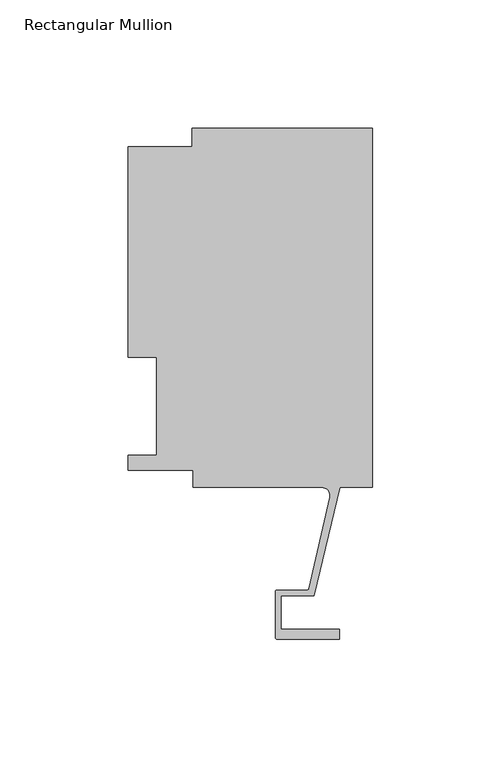
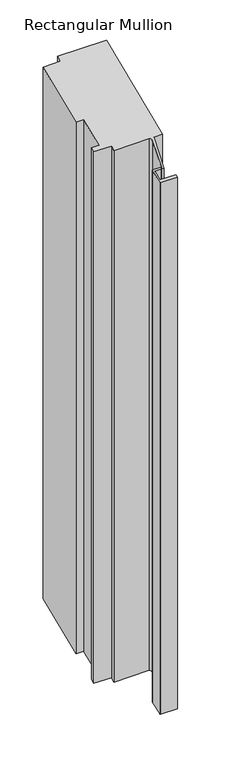
"""IFC4 building model written with IfcOpenShell, lengths in millimetres: member geometry, Rectangular Mullion."""

from ifc_helpers import new_model, si_unit, frame, origin, place, context, project, spatial, polyline, ellipse_curve, source, transform, mapped, element, save
from ifc_brep_helpers import plane_surface, cylinder_surface, revolved_surface, advanced_brep


def rectangular_mullion_dd8fc5aa(model_context):
    return source(origin(), model_context, "Body", "AdvancedBrep", [
        advanced_brep(
        [(-70.3072, 126.619, 52.4473071), (-70.3072, 133.731, 55.3931939), (-70.3072, 133.731, -750.6716666), (-70.3072, 126.619, -753.6175535), (-95.25, 126.619, 52.4473071), (-95.25, 126.619, -753.6175535), (-95.25, 44.45, 18.4117928), (-95.25, 44.45, -787.6530677), (-84.1375, 44.45, 18.4117928), (-84.1375, 44.45, -787.6530677), (-84.1375, 6.35, 2.6302561), (-84.1375, 6.35, -803.4346044), (-95.25, 6.35, 2.6302561), (-95.25, 6.35, -803.4346044), (-95.25, 0.4064, 0.1683364), (-95.25, 0.4064, -805.8965241), (-69.85, 0.4064, 0.1683364), (-69.85, 0.4064, -805.8965241), (-69.85, -6.2260979, -2.5789342), (-69.85, -6.2260979, -808.6437947), (-19.681515, -6.2260979, -2.5789342), (-19.681515, -6.2260979, -808.6437947), (-16.585275, -10.1038947, -4.1851702), (-16.585275, -10.1038947, -810.2500307), (-24.6514289, -45.6401264, -18.9047593), (-24.6514289, -45.6401264, -824.9696199), (-25.3893173, -46.2119562, -19.141619), (-25.3893173, -46.2119562, -825.2064795), (-37.0958677, -46.2119562, -19.141619), (-37.0958677, -46.2119562, -825.2064795), (-37.8578677, -46.9739562, -19.4572497), (-37.8578677, -46.9739562, -825.5221102), (-37.8578677, -64.6065977, -26.760929), (-37.8578677, -64.6065977, -832.8257895), (-37.0704677, -65.3939977, -27.0870807), (-37.0704677, -65.3939977, -833.1519413), (-12.7611926, -65.3939977, -27.0870807), (-12.7611926, -65.3939977, -833.1519413), (-12.7611926, -61.4061977, -25.4352799), (-12.7611926, -61.4061977, -831.5001404), (-35.5718677, -61.4061977, -25.4352799), (-35.5718677, -61.4061977, -831.5001404), (-35.5718677, -48.4979562, -20.0885112), (-35.5718677, -48.4979562, -826.1533717), (-22.7594087, -48.4979562, -20.0885112), (-22.7594087, -48.4979562, -826.1533717), (-12.7, -6.2260967, -2.5789337), (-12.7, -6.2260967, -808.6437942), (0.0, -6.2260967, -2.5789337), (0.0, -6.2260967, -808.6437942), (0.0, 133.731, 55.3931939), (0.0, 133.731, -750.6716666)],
        [
            (0, 1),
            (1, 2),
            (2, 3),
            (3, 0),
            (4, 0),
            (3, 5),
            (5, 4),
            (6, 4),
            (5, 7),
            (7, 6),
            (8, 6),
            (7, 9),
            (9, 8),
            (10, 8),
            (9, 11),
            (11, 10),
            (12, 10),
            (11, 13),
            (13, 12),
            (14, 12),
            (13, 15),
            (15, 14),
            (16, 14),
            (15, 17),
            (17, 16),
            (18, 16),
            (17, 19),
            (19, 18),
            (20, 18),
            (19, 21),
            (21, 20),
            (22, 20, ellipse_curve(frame((-19.681515, -9.4010979, -3.8940623), z_axis=(0.0, -0.38268343236508917, 0.923879532511287), x_axis=(0.0, -0.923879532511287, -0.3826834323650893)), 3.4365952, 3.175)),
            (21, 23, ellipse_curve(frame((-19.681515, -9.4010979, -809.9589228), z_axis=(0.0, 0.38268343236508917, -0.923879532511287), x_axis=(0.0, -0.923879532511287, -0.3826834323650893)), 3.4365952, 3.175)),
            (23, 22),
            (24, 22),
            (23, 25),
            (25, 24),
            (26, 24, ellipse_curve(frame((-25.3679884, -45.4774789, -18.8373885), z_axis=(0.0, -0.38268343236508917, 0.923879532511287), x_axis=(0.0, -0.923879532511287, -0.3826834323650893)), 0.7953276, 0.7347869)),
            (25, 27, ellipse_curve(frame((-25.3679884, -45.4774789, -824.9022491), z_axis=(0.0, 0.38268343236508917, -0.923879532511287), x_axis=(0.0, -0.923879532511287, -0.3826834323650893)), 0.7953276, 0.7347869)),
            (27, 26),
            (28, 26),
            (27, 29),
            (29, 28),
            (30, 28, ellipse_curve(frame((-37.0958677, -46.9739562, -19.4572497), z_axis=(0.0, 0.38268343236508917, -0.923879532511287), x_axis=(0.0, 0.923879532511287, 0.3826834323650893)), 0.8247829, 0.762)),
            (29, 31, ellipse_curve(frame((-37.0958677, -46.9739562, -825.5221102), z_axis=(0.0, -0.38268343236508917, 0.923879532511287), x_axis=(0.0, 0.923879532511287, 0.3826834323650893)), 0.8247829, 0.762)),
            (31, 30),
            (32, 30),
            (31, 33),
            (33, 32),
            (34, 32, ellipse_curve(frame((-37.0704677, -64.6065977, -26.760929), z_axis=(0.0, 0.38268343236508917, -0.923879532511287), x_axis=(0.0, 0.923879532511287, 0.3826834323650893)), 0.8522756, 0.7874)),
            (33, 35, ellipse_curve(frame((-37.0704677, -64.6065977, -832.8257895), z_axis=(0.0, -0.38268343236508917, 0.923879532511287), x_axis=(0.0, 0.923879532511287, 0.3826834323650893)), 0.8522756, 0.7874)),
            (35, 34),
            (36, 34),
            (35, 37),
            (37, 36),
            (38, 36),
            (37, 39),
            (39, 38),
            (40, 38),
            (39, 41),
            (41, 40),
            (42, 40),
            (41, 43),
            (43, 42),
            (44, 42),
            (43, 45),
            (45, 44),
            (46, 44),
            (45, 47),
            (47, 46),
            (48, 46),
            (47, 49),
            (49, 48),
            (50, 48),
            (49, 51),
            (51, 50),
            (1, 50),
            (51, 2),
        ],
        [
            plane_surface(frame((-70.3072, 133.731, 0.0), z_axis=(-1.0, 0.0, 0.0), x_axis=(0.0, 0.0, -1.0))),
            plane_surface(frame((-70.3072, 126.619, 0.0), z_axis=(0.0, 1.0, 0.0), x_axis=(0.0, 0.0, -1.0))),
            plane_surface(frame((-95.25, 126.619, 0.0), z_axis=(-1.0, 0.0, 0.0), x_axis=(0.0, 0.0, -1.0))),
            plane_surface(frame((-95.25, 44.45, 0.0), z_axis=(0.0, -1.0, 0.0), x_axis=(0.0, 0.0, -1.0))),
            plane_surface(frame((-84.1375, 44.45, 0.0), z_axis=(-1.0, 0.0, 0.0), x_axis=(0.0, 0.0, -1.0))),
            plane_surface(frame((-84.1375, 6.35, 0.0), z_axis=(0.0, 1.0, 0.0), x_axis=(0.0, 0.0, -1.0))),
            plane_surface(frame((-95.25, 6.35, 0.0), z_axis=(-1.0, 0.0, 0.0), x_axis=(0.0, 0.0, -1.0))),
            plane_surface(frame((-95.25, 0.4064, 0.0), z_axis=(0.0, -1.0, 0.0), x_axis=(0.0, 0.0, -1.0))),
            plane_surface(frame((-69.85, 0.4064, 0.0), z_axis=(-1.0, 0.0, 0.0), x_axis=(0.0, 0.0, -1.0))),
            plane_surface(frame((-69.85, -6.2260979, 0.0), z_axis=(0.0, -1.0, 0.0), x_axis=(0.0, 0.0, -1.0))),
            revolved_surface(polyline([(-19.681515, -6.2260979, -811.2740508467854), (-19.681515, -6.2260979, -2.5789342)]), (-19.681515, -9.4010979, 0.0), (0.0, 0.0, -1.0)),
            plane_surface(frame((-16.585275, -10.1038947, 0.0), z_axis=(-0.9751936808086203, 0.22135330336576153, 0.0), x_axis=(0.0, 0.0, -1.0))),
            revolved_surface(polyline([(-25.3679884, -44.742692, -825.2066077958226), (-25.3679884, -44.742692, -18.53302980417731)]), (-25.3679884, -45.4774789, 0.0), (0.0, 0.0, -1.0)),
            plane_surface(frame((-25.3893173, -46.2119562, 0.0), z_axis=(0.0, 1.0, 0.0), x_axis=(0.0, 0.0, -1.0))),
            cylinder_surface(frame((-37.0958677, -46.9739562, 0.0), z_axis=(0.0, 0.0, 1.0), x_axis=(0.0, 1.0, 0.0)), 0.762),
            plane_surface(frame((-37.8578677, -46.9739562, 0.0), z_axis=(-1.0, 0.0, 0.0), x_axis=(0.0, 0.0, -1.0))),
            cylinder_surface(frame((-37.0704677, -64.6065977, 0.0), z_axis=(0.0, 0.0, 1.0), x_axis=(0.0, 1.0, 0.0)), 0.7874),
            plane_surface(frame((-37.0704677, -65.3939977, 0.0), z_axis=(0.0, -1.0, 0.0), x_axis=(0.0, 0.0, -1.0))),
            plane_surface(frame((-12.7611926, -65.3939977, 0.0), z_axis=(1.0, 0.0, 0.0), x_axis=(0.0, 0.0, -1.0))),
            plane_surface(frame((-12.7611926, -61.4061977, 0.0), z_axis=(0.0, 1.0, 0.0), x_axis=(0.0, 0.0, -1.0))),
            plane_surface(frame((-35.5718677, -61.4061977, 0.0), z_axis=(1.0, 0.0, 0.0), x_axis=(0.0, 0.0, -1.0))),
            plane_surface(frame((-35.5718677, -48.4979562, 0.0), z_axis=(0.0, -1.0, 0.0), x_axis=(0.0, 0.0, -1.0))),
            plane_surface(frame((-22.7594087, -48.4979562, 0.0), z_axis=(0.972833793207084, -0.23150466689532792, 0.0), x_axis=(0.0, 0.0, -1.0))),
            plane_surface(frame((-12.7, -6.2260967, 0.0), z_axis=(0.0, -1.0, 0.0), x_axis=(0.0, 0.0, -1.0))),
            plane_surface(frame((0.0, -6.2260967, 0.0), z_axis=(1.0, 0.0, 0.0), x_axis=(0.0, 0.0, -1.0))),
            plane_surface(frame((0.0, 133.731, 0.0), z_axis=(0.0, 1.0, 0.0), x_axis=(0.0, 0.0, -1.0))),
            plane_surface(frame((304.8, 0.0, 0.0), z_axis=(0.0, -0.38268343236508917, 0.923879532511287), x_axis=(0.0, -0.923879532511287, -0.38268343236508917))),
            plane_surface(frame((-304.8, 0.0, -806.0648605), z_axis=(0.0, 0.38268343236508917, -0.923879532511287), x_axis=(0.0, 0.923879532511287, 0.38268343236508917))),
        ],
        [
            (0, [[1, 2, 3, 4]]),
            (1, [[5, -4, 6, 7]]),
            (2, [[8, -7, 9, 10]]),
            (3, [[11, -10, 12, 13]]),
            (4, [[14, -13, 15, 16]]),
            (5, [[17, -16, 18, 19]]),
            (6, [[20, -19, 21, 22]]),
            (7, [[23, -22, 24, 25]]),
            (8, [[26, -25, 27, 28]]),
            (9, [[29, -28, 30, 31]]),
            (10, [[32, -31, 33, 34]]),
            (11, [[35, -34, 36, 37]]),
            (12, [[38, -37, 39, 40]]),
            (13, [[41, -40, 42, 43]]),
            (14, [[44, -43, 45, 46]]),
            (15, [[47, -46, 48, 49]]),
            (16, [[50, -49, 51, 52]]),
            (17, [[53, -52, 54, 55]]),
            (18, [[56, -55, 57, 58]]),
            (19, [[59, -58, 60, 61]]),
            (20, [[62, -61, 63, 64]]),
            (21, [[65, -64, 66, 67]]),
            (22, [[68, -67, 69, 70]]),
            (23, [[71, -70, 72, 73]]),
            (24, [[74, -73, 75, 76]]),
            (25, [[77, -76, 78, -2]]),
            (26, [[-1, -5, -8, -11, -14, -17, -20, -23, -26, -29, -32, -35, -38, -41, -44, -47, -50, -53, -56, -59, -62, -65, -68, -71, -74, -77]]),
            (27, [[-78, -75, -72, -69, -66, -63, -60, -57, -54, -51, -48, -45, -42, -39, -36, -33, -30, -27, -24, -21, -18, -15, -12, -9, -6, -3]]),
        ],
    ),
    ])


if __name__ == "__main__":
    model = new_model("IFC4")
    model_context = context("Model", 3, world=origin())
    ifc_project = project(units=[si_unit("LENGTHUNIT", "METRE", prefix="MILLI")], contexts=[model_context])
    site = spatial("IfcSite", under=ifc_project)
    building = spatial("IfcBuilding", under=site)
    placement = place(None, origin())
    rectangular_mullion_shape = rectangular_mullion_dd8fc5aa(model_context)
    element("IfcMember", 1, ObjectType="Rectangular Mullion", at=placement, inside=building, context=model_context, shape_type="MappedRepresentation", body=[
        mapped(rectangular_mullion_shape, transform((0.0, 0.0, 0.0), x_axis=(1.0, 0.0, 0.0), y_axis=(0.0, 1.0, 0.0), z_axis=(0.0, 0.0, 1.0))),
    ])
    save(model, "model.ifc")
